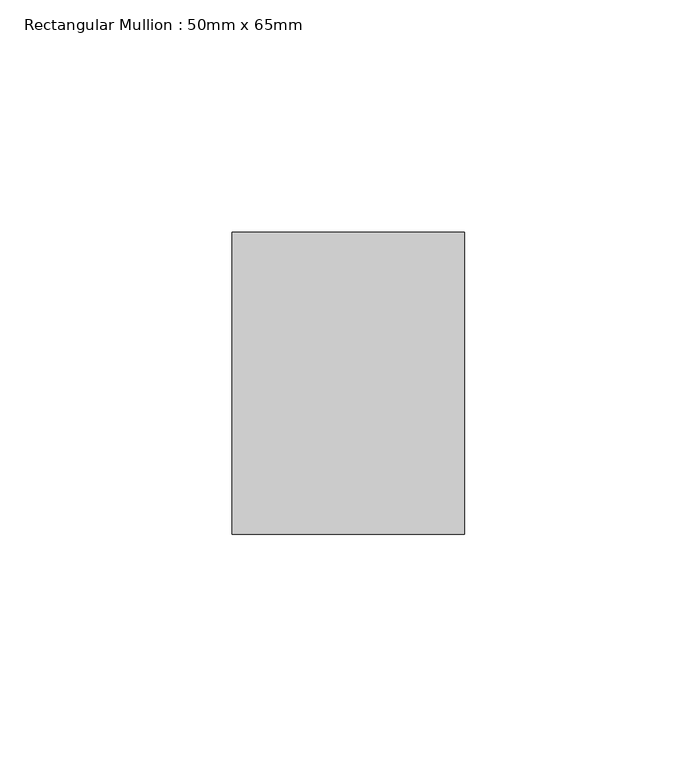
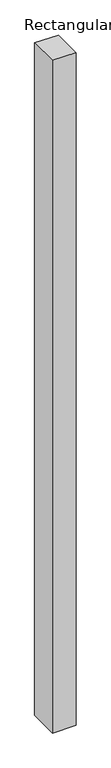
"""IFC4 building model written with IfcOpenShell, lengths in millimetres: member geometry, Rectangular Mullion : 50mm x 65mm."""

import ifcopenshell
import ifcopenshell.guid

model = None  # the IFC model being written
_history = None  # IfcOwnerHistory: only IFC2X3 demands one
_inside = {}  # id of a spatial element -> (the spatial element, [elements in it])
_under = {}  # id of a project, library or spatial element -> (it, [spatial elements below it])
_declared = {}  # id of a project -> (the project, [libraries it declares])
_typed = {}  # id of a type object -> (the type object, [elements of that type])
_made_of = {}  # id of a material, layer set ... -> (it, [elements and type objects made of it])


def new_model(schema):
    """Start an empty IFC model of exactly this schema.

    Asked for "IFC4X3", IfcOpenShell would pick the latest addendum, in which some entities
    have other attributes; the version numbers below select the first issue.
    IFC2X3 requires an IfcOwnerHistory on every rooted entity: one is made here for all.
    """
    global model, _history
    if schema == "IFC4X3":
        model = ifcopenshell.file(schema_version=(4, 3, 0, 0))
    else:
        model = ifcopenshell.file(schema=schema)
    _inside.clear()
    _under.clear()
    _declared.clear()
    _typed.clear()
    _made_of.clear()
    _history = None
    if model.schema == "IFC2X3":
        org = make("IfcOrganization", Name="unknown")
        user = make(
            "IfcPersonAndOrganization",
            ThePerson=make("IfcPerson", FamilyName="unknown"),
            TheOrganization=org,
        )
        app = make(
            "IfcApplication",
            ApplicationDeveloper=org,
            Version="unknown",
            ApplicationFullName="unknown",
            ApplicationIdentifier="unknown",
        )
        _history = make(
            "IfcOwnerHistory",
            OwningUser=user,
            OwningApplication=app,
            ChangeAction="ADDED",
            CreationDate=0,
        )
    return model


def make(cls, **values):
    """One entity of the class cls with the attributes given. An attribute that is None is left unset."""
    return model.create_entity(
        cls, **{name: value for name, value in values.items() if value is not None}
    )


def rooted(cls, **values):
    """An entity with a GlobalId (a new one), such as an element, a storey or a relation."""
    return make(cls, GlobalId=ifcopenshell.guid.new(), OwnerHistory=_history, **values)


def si_unit(unit_type, name, prefix=None):
    """IfcSIUnit, for example si_unit("LENGTHUNIT", "METRE", prefix="MILLI")."""
    return make("IfcSIUnit", UnitType=unit_type, Prefix=prefix, Name=name)


def assignment(units):
    """IfcUnitAssignment: the units of a project."""
    return None if units is None else make("IfcUnitAssignment", Units=units)


def point(xyz):
    """IfcCartesianPoint."""
    return None if xyz is None else make("IfcCartesianPoint", Coordinates=xyz)


def direction(xyz):
    """IfcDirection."""
    return None if xyz is None else make("IfcDirection", DirectionRatios=xyz)


def frame(location, z_axis=None, x_axis=None):
    """IfcAxis2Placement3D, a coordinate frame: its origin and axes. An axis left out is left unset."""
    return make(
        "IfcAxis2Placement3D",
        Location=point(location),
        Axis=direction(z_axis),
        RefDirection=direction(x_axis),
    )


def origin():
    """The frame at (0, 0, 0) with its axes left unset."""
    return frame((0.0, 0.0, 0.0))


def place(relative_to, where):
    """IfcLocalPlacement: puts the frame where relative to a parent placement (None: the world)."""
    return make(
        "IfcLocalPlacement", PlacementRelTo=relative_to, RelativePlacement=where
    )


def context(
    kind, dimensions, precision=None, world=None, true_north=None, identifier=None
):
    """IfcGeometricRepresentationContext, for example the 3D "Model" context."""
    return make(
        "IfcGeometricRepresentationContext",
        ContextIdentifier=identifier,
        ContextType=kind,
        CoordinateSpaceDimension=dimensions,
        Precision=precision,
        WorldCoordinateSystem=world,
        TrueNorth=true_north,
    )


def project(units=None, contexts=None):
    """IfcProject with its units and contexts."""
    return rooted(
        "IfcProject",
        Name="project",
        RepresentationContexts=contexts,
        UnitsInContext=assignment(units),
    )


def spatial(cls, under=None, at=None, **own):
    """A site, building, storey or space (cls), placed at a placement, below another one or the project."""
    s = rooted(cls, ObjectPlacement=at, **own)
    if under is not None:
        _under.setdefault(under.id(), (under, []))[1].append(s)
    return s


def faces_of(points, faces, orient=None, outer=None):
    """IfcFace entities. A face is a list of loops; a loop is a list of indices into points, from 0.

    orient and outer hold one flag for each loop. By default every Orientation is true, the
    first loop of a face is its IfcFaceOuterBound and the others are IfcFaceBound.
    """
    made = []
    for i, loops in enumerate(faces):
        bounds = []
        for j, loop in enumerate(loops):
            is_outer = j == 0 if outer is None else outer[i][j]
            bounds.append(
                make(
                    "IfcFaceOuterBound" if is_outer else "IfcFaceBound",
                    Bound=make("IfcPolyLoop", Polygon=[points[k] for k in loop]),
                    Orientation=True if orient is None else orient[i][j],
                )
            )
        made.append(make("IfcFace", Bounds=bounds))
    return made


def faceted_brep(points, faces, orient=None, outer=None, voids=None):
    """IfcFacetedBrep: a solid bounded by flat faces; with voids (closed shells), ...WithVoids."""
    shared = [point(p) for p in points]
    hull = make("IfcClosedShell", CfsFaces=faces_of(shared, faces, orient, outer))
    if voids is None:
        return make("IfcFacetedBrep", Outer=hull)
    return make(
        "IfcFacetedBrepWithVoids",
        Outer=hull,
        Voids=[
            make(cls, CfsFaces=faces_of(shared, fs, o, b)) for cls, fs, o, b in voids
        ],
    )


def shape(context_of_items, identifier, shape_type, items):
    """IfcShapeRepresentation: the items that make up one representation, for example the "Body"."""
    return make(
        "IfcShapeRepresentation",
        ContextOfItems=context_of_items,
        RepresentationIdentifier=identifier,
        RepresentationType=shape_type,
        Items=items,
    )


def source(mapping_origin, context_of_items, identifier, shape_type, items):
    """IfcRepresentationMap: a shape defined once, which mapped items show again and again."""
    return make(
        "IfcRepresentationMap",
        MappingOrigin=mapping_origin,
        MappedRepresentation=shape(context_of_items, identifier, shape_type, items),
    )


def transform(
    local_origin,
    x_axis=None,
    y_axis=None,
    z_axis=None,
    scale=None,
    scale2=None,
    scale3=None,
    uniform=True,
):
    """IfcCartesianTransformationOperator3D, or its non-uniform kind. x_axis, y_axis, z_axis: its Axis1, 2, 3."""
    if uniform:
        return make(
            "IfcCartesianTransformationOperator3D",
            Axis1=direction(x_axis),
            Axis2=direction(y_axis),
            LocalOrigin=point(local_origin),
            Scale=scale,
            Axis3=direction(z_axis),
        )
    return make(
        "IfcCartesianTransformationOperator3DnonUniform",
        Axis1=direction(x_axis),
        Axis2=direction(y_axis),
        LocalOrigin=point(local_origin),
        Scale=scale,
        Axis3=direction(z_axis),
        Scale2=scale2,
        Scale3=scale3,
    )


def mapped(mapping_source, mapping_target):
    """IfcMappedItem: shows the shape of a source again, moved by a transform."""
    return make(
        "IfcMappedItem", MappingSource=mapping_source, MappingTarget=mapping_target
    )


def made_of(thing, what):
    """Note that an element or type object is made of a material, layer set ...; save() writes the relation."""
    if what is not None:
        _made_of.setdefault(what.id(), (what, []))[1].append(thing)
    return thing


def element(
    cls,
    number,
    at=None,
    inside=None,
    cuts=None,
    type_object=None,
    material=None,
    context=None,
    identifier="Body",
    shape_type=None,
    held_by="IfcProductDefinitionShape",
    body=None,
    shapes=None,
    **own,
):
    """One element of the class cls, such as IfcWall. Its Tag is "e" and its number.

    at: its placement. inside: the storey or other place that contains it. cuts: it is an
    opening in that element (IfcRelVoidsElement). A single representation is given by context,
    identifier, shape_type and body (its items); several are given by shapes. held_by: the class
    of the entity that holds the representations. save() writes the other relations.
    """
    e = rooted(cls, Tag="e%d" % number, ObjectPlacement=at, **own)
    if body is not None:
        shapes = [shape(context, identifier, shape_type, body)]
    if shapes is not None:
        e.Representation = make(held_by, Representations=shapes)
    if inside is not None:
        _inside.setdefault(inside.id(), (inside, []))[1].append(e)
    if cuts is not None:
        rooted(
            "IfcRelVoidsElement", RelatingBuildingElement=cuts, RelatedOpeningElement=e
        )
    if type_object is not None:
        _typed.setdefault(type_object.id(), (type_object, []))[1].append(e)
    return made_of(e, material)


def aggregate(whole, parts):
    """IfcRelAggregates: a whole, such as a stair, and the parts it consists of."""
    return rooted("IfcRelAggregates", RelatingObject=whole, RelatedObjects=parts)


def save(model, path):
    """Write the relations noted so far, then the file.

    IfcRelAggregates (storeys below a building ...), IfcRelContainedInSpatialStructure (elements
    in a storey), IfcRelDefinesByType, IfcRelAssociatesMaterial and IfcRelDeclares: one each for
    every whole, place, type object, material and project.
    """
    for whole, parts in _under.values():
        aggregate(whole, parts)
    for where, things in _inside.values():
        rooted(
            "IfcRelContainedInSpatialStructure",
            RelatedElements=things,
            RelatingStructure=where,
        )
    for kind, things in _typed.values():
        rooted("IfcRelDefinesByType", RelatedObjects=things, RelatingType=kind)
    for what, things in _made_of.values():
        rooted("IfcRelAssociatesMaterial", RelatedObjects=things, RelatingMaterial=what)
    for by, libraries in _declared.values():
        rooted("IfcRelDeclares", RelatingContext=by, RelatedDefinitions=libraries)
    model.write(path)


def rectangular_mullion_50mm_x_65mm_42387fc7(model_context):
    return source(origin(), model_context, "Body", "Brep", [
        faceted_brep([(-25.0, 32.5, -0.2027374), (25.0, 32.5, -0.2027381), (25.0, 32.5, -1499.8925487), (-25.0, 32.5, -1499.8925491), (-25.0, -32.5, 0.2027381), (-25.0, -32.5, -1500.1072094), (25.0, -32.5, 0.2027374), (25.0, -32.5, -1500.107209)], [[[0, 1, 2, 3]], [[4, 0, 3, 5]], [[6, 4, 5, 7]], [[1, 6, 7, 2]], [[1, 0, 4, 6]], [[2, 7, 5, 3]]]),
    ])


if __name__ == "__main__":
    model = new_model("IFC4")
    model_context = context("Model", 3, world=origin())
    ifc_project = project(units=[si_unit("LENGTHUNIT", "METRE", prefix="MILLI")], contexts=[model_context])
    site = spatial("IfcSite", under=ifc_project)
    building = spatial("IfcBuilding", under=site)
    placement = place(None, origin())
    rectangular_mullion_50mm_x_65mm_shape = rectangular_mullion_50mm_x_65mm_42387fc7(model_context)
    element("IfcMember", 1, ObjectType="Rectangular Mullion : 50mm x 65mm", at=placement, inside=building, context=model_context, shape_type="MappedRepresentation", body=[
        mapped(rectangular_mullion_50mm_x_65mm_shape, transform((0.0, 0.0, 0.0), x_axis=(1.0, 0.0, 0.0), y_axis=(0.0, 1.0, 0.0), z_axis=(0.0, 0.0, 1.0))),
    ])
    save(model, "model.ifc")
